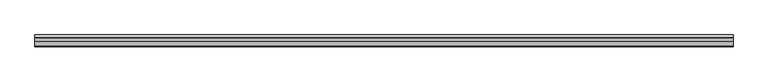
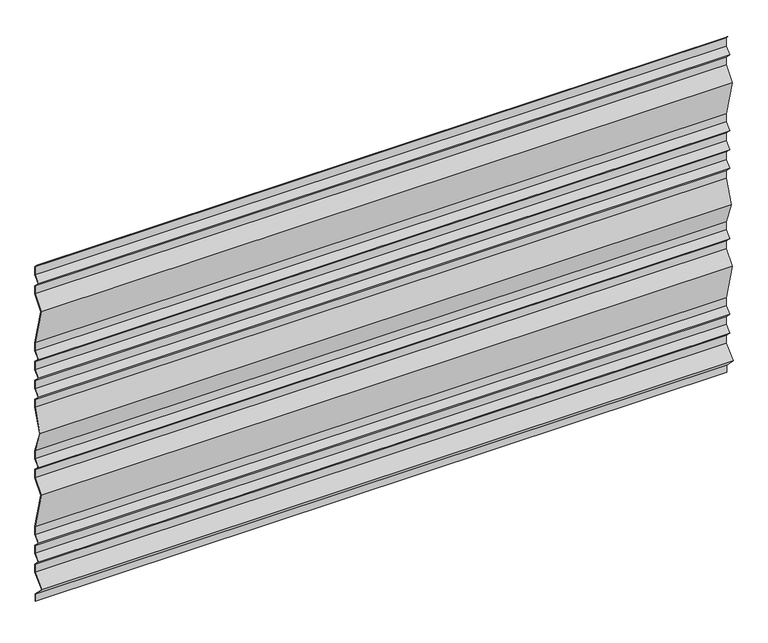
"""IFC4 building model written with IfcOpenShell, lengths in millimetres: plate geometry."""

from ifc_helpers import new_model, si_unit, frame, origin, place, context, project, spatial, polyline, outline, extrude, source, transform, mapped, element, save


def plate_9004b5bc(model_context):
    return source(origin(), model_context, "Body", "SweptSolid", [
        extrude(outline(polyline([(36.5624458, 1086.7255959), (36.5624458, 1059.3295069), (19.0918831, 1041.8589442), (36.5624458, 1024.3883814), (36.5624458, 997.9986224), (4.3832523, 959.8318837), (36.5624458, 839.2468421), (36.5624458, 812.9741679), (19.0918831, 795.5036051), (36.5624458, 778.0330424), (36.5624458, 751.6188288), (19.0918831, 734.1482661), (36.5624458, 716.6777033), (36.5624458, 690.2634897), (19.0918831, 672.792927), (36.5624458, 655.3223643), (36.5624458, 629.0273259), (11.0062776, 558.6152575), (36.5624458, 488.203189), (36.5624458, 461.9081507), (19.0918831, 444.4375879), (36.5624458, 426.9670252), (36.5624458, 400.5772662), (4.3832523, 362.4105275), (36.5624458, 241.8254859), (36.5624458, 215.5528116), (19.0918831, 198.0822489), (36.5624458, 180.6116861), (36.5624458, 154.1974726), (19.0918831, 136.7269098), (36.5624458, 119.2563471), (36.5624458, 92.8421335), (1.4142136, 57.6939012), (35.5624458, 23.545669), (35.5624458, -0.6614378), (34.5624458, -0.6614378), (34.5624458, 23.1314554), (0.0, 57.6939012), (35.5624458, 93.2563471), (35.5624458, 118.8421335), (17.6776695, 136.7269098), (35.5624458, 154.6116861), (35.5624458, 180.1974726), (17.6776695, 198.0822489), (35.5624458, 215.9670252), (35.5624458, 241.6943509), (3.2826233, 362.6564792), (35.5624458, 400.9425707), (35.5624458, 426.5528116), (17.6776695, 444.4375879), (35.5624458, 462.3223643), (35.5624458, 488.0273259), (9.9424478, 558.6152575), (35.5624458, 629.203189), (35.5624458, 654.9081507), (17.6776695, 672.792927), (35.5624458, 690.6777033), (35.5624458, 716.2634897), (17.6776695, 734.1482661), (35.5624458, 752.0330424), (35.5624458, 777.6188288), (17.6776695, 795.5036051), (35.5624458, 813.3883814), (35.5624458, 839.1157072), (3.2826233, 960.0778354), (35.5624458, 998.3639269), (35.5624458, 1023.9741679), (17.6776695, 1041.8589442), (35.5624458, 1059.7437205), (35.5624458, 1086.3476315), (27.1854773, 1094.7078633), (27.9354773, 1095.3693012), (36.5624458, 1086.7255959)])), frame((-1063.0, 0.0, 0.0), z_axis=(1.0, 0.0, 0.0), x_axis=(0.0, 1.0, 0.0)), (0.0, 0.0, 1.0), 2126.0),
    ])


if __name__ == "__main__":
    model = new_model("IFC4")
    model_context = context("Model", 3, world=origin())
    ifc_project = project(units=[si_unit("LENGTHUNIT", "METRE", prefix="MILLI")], contexts=[model_context])
    site = spatial("IfcSite", under=ifc_project)
    building = spatial("IfcBuilding", under=site)
    placement = place(None, origin())
    plate_shape = plate_9004b5bc(model_context)
    element("IfcPlate", 1, at=placement, inside=building, context=model_context, shape_type="MappedRepresentation", body=[
        mapped(plate_shape, transform((0.0, 0.0, 0.0), x_axis=(1.0, 0.0, 0.0), y_axis=(0.0, 1.0, 0.0), z_axis=(0.0, 0.0, 1.0))),
    ])
    save(model, "model.ifc")
